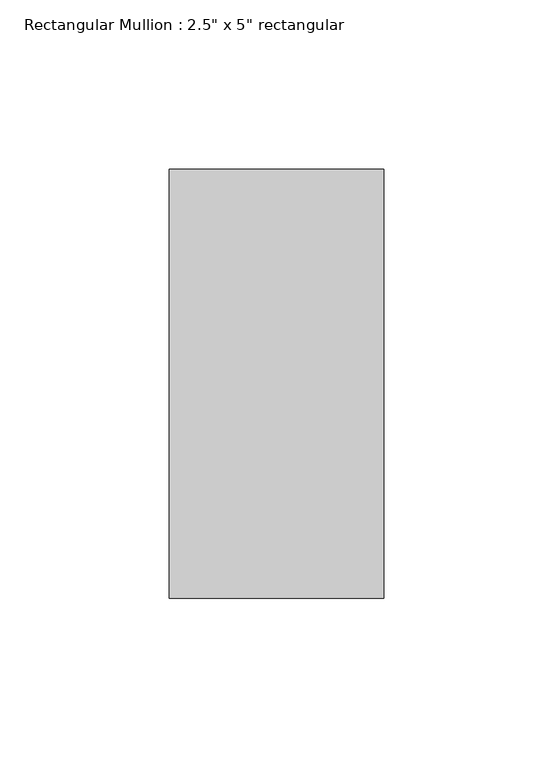
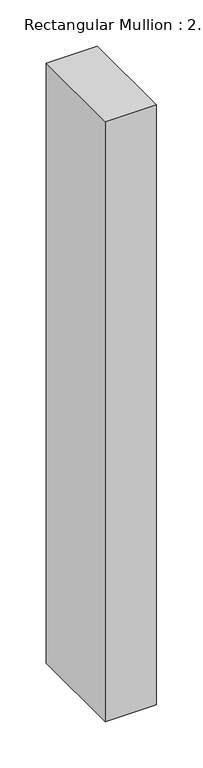
"""IFC4 building model written with IfcOpenShell, lengths in millimetres: member geometry."""

from ifc_helpers import new_model, si_unit, frame, origin, place, context, project, spatial, polyline, outline, extrude, source, transform, mapped, element, save


def member_3b136e6a(model_context):
    return source(origin(), model_context, "Body", "SweptSolid", [
        extrude(outline(polyline([(0.0, 63.5), (0.0, -63.5), (-63.5, -63.5), (-63.5, 63.5), (0.0, 63.5)])), frame((0.0, 0.0, -789.5166667), z_axis=(0.0, 0.0, 1.0), x_axis=(1.0, 0.0, 0.0)), (0.0, 0.0, 1.0), 789.5166667),
    ])


if __name__ == "__main__":
    model = new_model("IFC4")
    model_context = context("Model", 3, world=origin())
    ifc_project = project(units=[si_unit("LENGTHUNIT", "METRE", prefix="MILLI")], contexts=[model_context])
    site = spatial("IfcSite", under=ifc_project)
    building = spatial("IfcBuilding", under=site)
    placement = place(None, origin())
    member_shape = member_3b136e6a(model_context)
    element("IfcMember", 1, ObjectType="Rectangular Mullion : 2.5\" x 5\" rectangular", at=placement, inside=building, context=model_context, shape_type="MappedRepresentation", body=[
        mapped(member_shape, transform((0.0, 0.0, 0.0), x_axis=(1.0, 0.0, 0.0), y_axis=(0.0, 1.0, 0.0), z_axis=(0.0, 0.0, 1.0))),
    ])
    save(model, "model.ifc")
